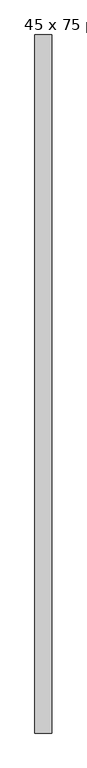
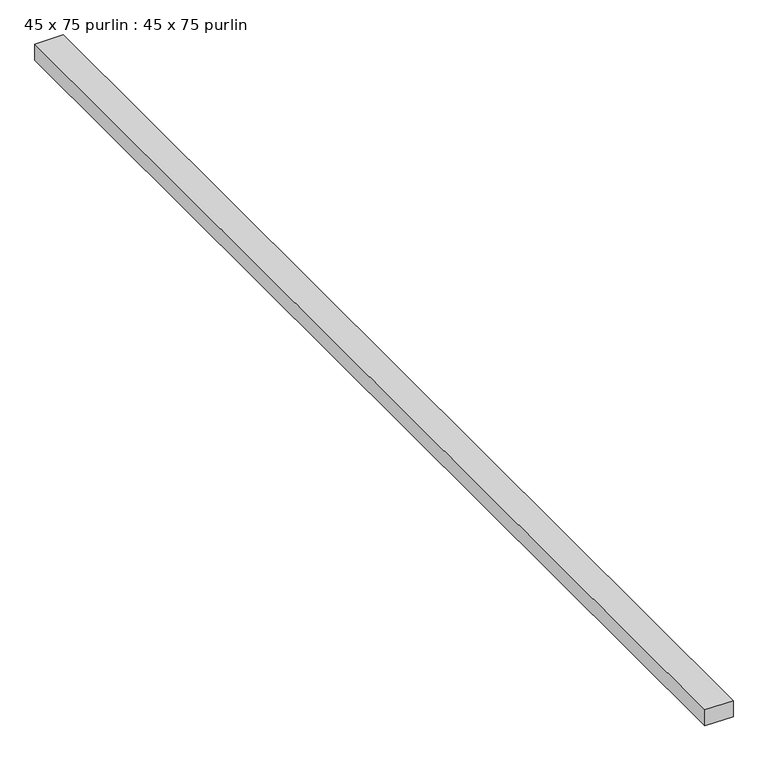
"""IFC4 building model written with IfcOpenShell, lengths in millimetres: proxy geometry, 45 x 75 purlin : 45 x 75 purlin."""

from ifc_helpers import new_model, si_unit, frame, origin, place, context, project, spatial, polyline, outline, extrude, source, transform, mapped, element, save


def proxy_45_x_75_purlin_45_x_75_purlin_9b928e0a(model_context):
    return source(origin(), model_context, "Body", "SweptSolid", [
        extrude(outline(polyline([(-11761.1071097, -1342.7120579), (-11836.1071097, -1342.7120579), (-11836.1071097, 1747.2879421), (-11761.1071097, 1747.2879421), (-11761.1071097, -1342.7120579)])), frame((0.0, 0.0, 3784.2452806), z_axis=(0.0, 0.0, 1.0), x_axis=(1.0, 0.0, 0.0)), (0.0, 0.0, 1.0), 45.0),
    ])


if __name__ == "__main__":
    model = new_model("IFC4")
    model_context = context("Model", 3, world=origin())
    ifc_project = project(units=[si_unit("LENGTHUNIT", "METRE", prefix="MILLI")], contexts=[model_context])
    site = spatial("IfcSite", under=ifc_project)
    building = spatial("IfcBuilding", under=site)
    placement = place(None, origin())
    proxy_45_x_75_purlin_45_x_75_purlin_shape = proxy_45_x_75_purlin_45_x_75_purlin_9b928e0a(model_context)
    element("IfcBuildingElementProxy", 1, Name="45 x 75 purlin : 45 x 75 purlin", ObjectType="45 x 75 purlin : 45 x 75 purlin", at=placement, inside=building, context=model_context, shape_type="MappedRepresentation", body=[
        mapped(proxy_45_x_75_purlin_45_x_75_purlin_shape, transform((0.0, 0.0, 0.0), x_axis=(1.0, 0.0, 0.0), y_axis=(0.0, 1.0, 0.0), z_axis=(0.0, 0.0, 1.0))),
    ])
    save(model, "model.ifc")
